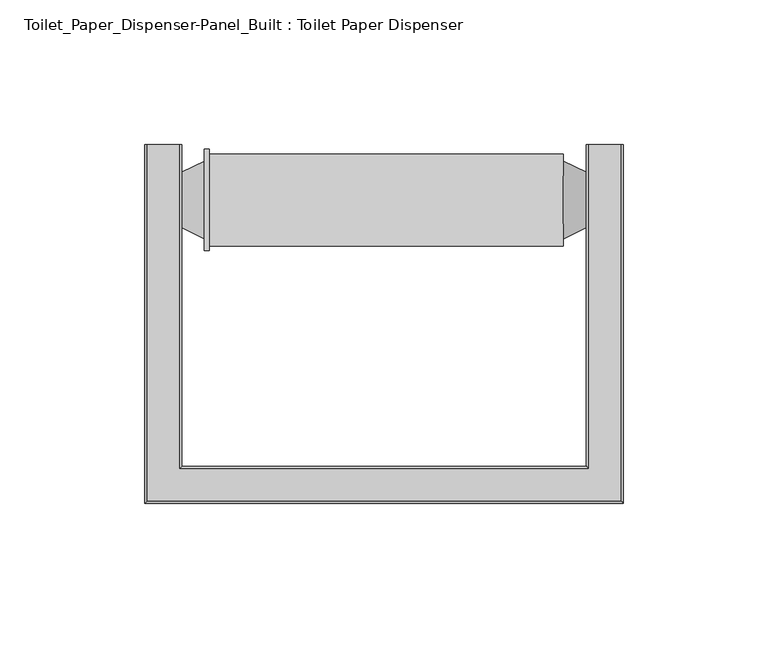
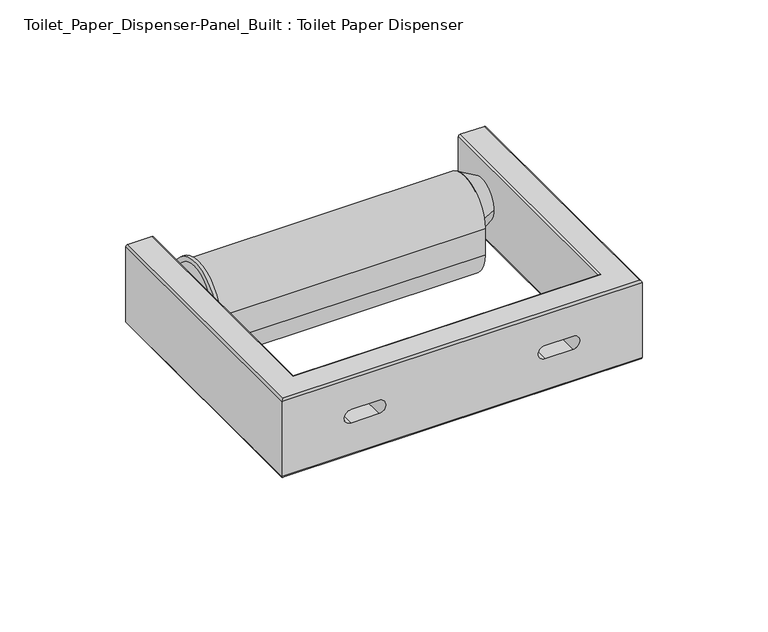
"""IFC4 building model written with IfcOpenShell, lengths in millimetres: proxy geometry, Toilet_Paper_Dispenser-Panel_Built : Toilet Paper Dispenser."""

from ifc_helpers import new_model, si_unit, point, frame, frame_2d, origin, place, context, project, spatial, polyline, circle_curve, ellipse_curve, trimmed, segment, composite_curve, outline, extrude, source, transform, mapped, element, save
from ifc_brep_helpers import plane_surface, cylinder_surface, revolved_surface, advanced_brep


def toilet_paper_dispenser_panel_built_toilet_paper_dispenser_115d3f29(model_context):
    return source(origin(), model_context, "Body", "SolidModel", [
        advanced_brep(
        [(-70.7128524, 123.825, 501.65), (-69.85, 123.825, 500.7871476), (-69.85, 123.825, 464.4128524), (-70.7128524, 123.825, 463.55), (-81.6871476, 123.825, 463.55), (-82.55, 123.825, 464.4128524), (-82.55, 123.825, 500.7871476), (-81.6871476, 123.825, 501.65), (-81.6871476, 0.8628524, 501.65), (81.6871476, 0.8628524, 501.65), (81.6871476, 123.825, 501.65), (70.7128524, 123.825, 501.65), (70.7128524, 11.8371476, 501.65), (-70.7128524, 11.8371476, 501.65), (-82.55, 0.0, 500.7871476), (-82.55, 0.0, 464.4128524), (-81.6871476, 0.8628524, 463.55), (-70.7128524, 11.8371476, 463.55), (70.7128524, 11.8371476, 463.55), (70.7128524, 123.825, 463.55), (81.6871476, 123.825, 463.55), (81.6871476, 0.8628524, 463.55), (-69.85, 12.7, 464.4128524), (-69.85, 12.7, 500.7871476), (82.55, 0.0, 500.7871476), (82.55, 0.0, 464.4128524), (-50.8, 0.0, 479.425), (-50.8, 0.0, 485.775), (-38.1, 0.0, 485.775), (-38.1, 0.0, 479.425), (38.1, 0.0, 479.425), (38.1, 0.0, 485.775), (50.8, 0.0, 485.775), (50.8, 0.0, 479.425), (69.85, 12.7, 464.4128524), (69.85, 12.7, 500.7871476), (-38.1, 12.7, 479.425), (-38.1, 12.7, 485.775), (-50.8, 12.7, 485.775), (-50.8, 12.7, 479.425), (50.8, 12.7, 479.425), (50.8, 12.7, 485.775), (38.1, 12.7, 485.775), (38.1, 12.7, 479.425), (82.55, 123.825, 500.7871476), (82.55, 123.825, 464.4128524), (69.85, 123.825, 464.4128524), (69.85, 123.825, 500.7871476)],
        [
            (0, 1, circle_curve(frame((-70.7128524, 123.825, 500.7871476), z_axis=(0.0, 1.0, 0.0), x_axis=(1.0, 0.0, 0.0)), 0.8628524)),
            (1, 2),
            (2, 3, circle_curve(frame((-70.7128524, 123.825, 464.4128524), z_axis=(0.0, 1.0, 0.0), x_axis=(1.0, 0.0, 0.0)), 0.8628524)),
            (3, 4),
            (4, 5, circle_curve(frame((-81.6871476, 123.825, 464.4128524), z_axis=(0.0, 1.0, 0.0), x_axis=(-1.0, 0.0, 0.0)), 0.8628524)),
            (5, 6),
            (6, 7, circle_curve(frame((-81.6871476, 123.825, 500.7871476), z_axis=(0.0, 1.0, 0.0), x_axis=(-1.0, 0.0, 0.0)), 0.8628524)),
            (7, 0),
            (7, 8),
            (8, 9),
            (9, 10),
            (10, 11),
            (11, 12),
            (12, 13),
            (13, 0),
            (6, 14),
            (14, 8, ellipse_curve(frame((-81.6871476, 0.8628524, 500.7871476), z_axis=(-0.7071067811865468, 0.7071067811865481, 0.0), x_axis=(0.7071067811865481, 0.7071067811865469, 0.0)), 1.2202575, 0.8628524)),
            (5, 15),
            (15, 14),
            (4, 16),
            (16, 15, ellipse_curve(frame((-81.6871476, 0.8628524, 464.4128524), z_axis=(-0.7071067811865468, 0.7071067811865481, 0.0), x_axis=(0.7071067811865481, 0.7071067811865469, 0.0)), 1.2202575, 0.8628524)),
            (3, 17),
            (17, 18),
            (18, 19),
            (19, 20),
            (20, 21),
            (21, 16),
            (2, 22),
            (22, 17, ellipse_curve(frame((-70.7128524, 11.8371476, 464.4128524), z_axis=(-0.7071067811865491, 0.7071067811865459, 0.0), x_axis=(0.7071067811865458, 0.7071067811865492, 0.0)), 1.2202575, 0.8628524)),
            (1, 23),
            (23, 22),
            (13, 23, ellipse_curve(frame((-70.7128524, 11.8371476, 500.7871476), z_axis=(-0.7071067811865491, 0.7071067811865459, 0.0), x_axis=(0.7071067811865458, 0.7071067811865492, 0.0)), 1.2202575, 0.8628524)),
            (14, 24),
            (24, 9, ellipse_curve(frame((81.6871476, 0.8628524, 500.7871476), z_axis=(-0.7071067811865481, -0.7071067811865469, 0.0), x_axis=(-0.707106781186547, 0.707106781186548, 0.0)), 1.2202575, 0.8628524)),
            (15, 25),
            (25, 24),
            (26, 27, circle_curve(frame((-50.8, 0.0, 482.6), z_axis=(0.0, 1.0, 0.0), x_axis=(1.0, 0.0, 0.0)), 3.175)),
            (27, 28),
            (28, 29, circle_curve(frame((-38.1, 0.0, 482.6), z_axis=(0.0, 1.0, 0.0), x_axis=(1.0, 0.0, 0.0)), 3.175)),
            (29, 26),
            (30, 31, circle_curve(frame((38.1, 0.0, 482.6), z_axis=(0.0, 1.0, 0.0), x_axis=(1.0, 0.0, 0.0)), 3.175)),
            (31, 32),
            (32, 33, circle_curve(frame((50.8, 0.0, 482.6), z_axis=(0.0, 1.0, 0.0), x_axis=(1.0, 0.0, 0.0)), 3.175)),
            (33, 30),
            (21, 25, ellipse_curve(frame((81.6871476, 0.8628524, 464.4128524), z_axis=(-0.7071067811865481, -0.7071067811865469, 0.0), x_axis=(-0.707106781186547, 0.707106781186548, 0.0)), 1.2202575, 0.8628524)),
            (22, 34),
            (34, 18, ellipse_curve(frame((70.7128524, 11.8371476, 464.4128524), z_axis=(-0.7071067811865458, -0.7071067811865492, 0.0), x_axis=(-0.7071067811865492, 0.7071067811865458, 0.0)), 1.2202575, 0.8628524)),
            (23, 35),
            (35, 34),
            (36, 37, circle_curve(frame((-38.1, 12.7, 482.6), z_axis=(0.0, -1.0, 0.0), x_axis=(1.0, 0.0, 0.0)), 3.175)),
            (37, 38),
            (38, 39, circle_curve(frame((-50.8, 12.7, 482.6), z_axis=(0.0, -1.0, 0.0), x_axis=(1.0, 0.0, 0.0)), 3.175)),
            (39, 36),
            (40, 41, circle_curve(frame((50.8, 12.7, 482.6), z_axis=(0.0, -1.0, 0.0), x_axis=(1.0, 0.0, 0.0)), 3.175)),
            (41, 42),
            (42, 43, circle_curve(frame((38.1, 12.7, 482.6), z_axis=(0.0, -1.0, 0.0), x_axis=(1.0, 0.0, 0.0)), 3.175)),
            (43, 40),
            (12, 35, ellipse_curve(frame((70.7128524, 11.8371476, 500.7871476), z_axis=(-0.7071067811865458, -0.7071067811865492, 0.0), x_axis=(-0.7071067811865492, 0.7071067811865458, 0.0)), 1.2202575, 0.8628524)),
            (10, 44, circle_curve(frame((81.6871476, 123.825, 500.7871476), z_axis=(0.0, 1.0, 0.0), x_axis=(1.0, 0.0, 0.0)), 0.8628524)),
            (44, 45),
            (45, 20, circle_curve(frame((81.6871476, 123.825, 464.4128524), z_axis=(0.0, 1.0, 0.0), x_axis=(1.0, 0.0, 0.0)), 0.8628524)),
            (19, 46, circle_curve(frame((70.7128524, 123.825, 464.4128524), z_axis=(0.0, 1.0, 0.0), x_axis=(-1.0, 0.0, 0.0)), 0.8628524)),
            (46, 47),
            (47, 11, circle_curve(frame((70.7128524, 123.825, 500.7871476), z_axis=(0.0, 1.0, 0.0), x_axis=(-1.0, 0.0, 0.0)), 0.8628524)),
            (24, 44),
            (25, 45),
            (34, 46),
            (35, 47),
            (29, 36),
            (39, 26),
            (28, 37),
            (27, 38),
            (33, 40),
            (43, 30),
            (32, 41),
            (31, 42),
        ],
        [
            plane_surface(frame((-82.55, 123.825, 0.0), z_axis=(0.0, 1.0, 0.0), x_axis=(0.0, 0.0, 1.0))),
            plane_surface(frame((-70.7128524, 123.825, 501.65), z_axis=(0.0, 0.0, 1.0), x_axis=(0.0, -1.0, 0.0))),
            cylinder_surface(frame((-81.6871476, 123.825, 500.7871476), z_axis=(0.0, 1.0, 0.0), x_axis=(-1.0, 0.0, 0.0)), 0.8628524),
            plane_surface(frame((-82.55, 123.825, 500.7871476), z_axis=(-1.0, 0.0, 0.0), x_axis=(0.0, -1.0, 0.0))),
            cylinder_surface(frame((-81.6871476, 123.825, 464.4128524), z_axis=(0.0, 1.0, 0.0), x_axis=(-1.0, 0.0, 0.0)), 0.8628524),
            plane_surface(frame((-81.6871476, 123.825, 463.55), z_axis=(0.0, 0.0, -1.0), x_axis=(0.0, -1.0, 0.0))),
            cylinder_surface(frame((-70.7128524, 123.825, 464.4128524), z_axis=(0.0, 1.0, 0.0), x_axis=(1.0, 0.0, 0.0)), 0.8628524),
            plane_surface(frame((-69.85, 123.825, 464.4128524), z_axis=(1.0, 0.0, 0.0), x_axis=(0.0, -1.0, 0.0))),
            cylinder_surface(frame((-70.7128524, 123.825, 500.7871476), z_axis=(0.0, 1.0, 0.0), x_axis=(1.0, 0.0, 0.0)), 0.8628524),
            cylinder_surface(frame((-82.55, 0.8628524, 500.7871476), z_axis=(-1.0, 0.0, 0.0), x_axis=(0.0, -1.0, 0.0)), 0.8628524),
            plane_surface(frame((-82.55, 0.0, 500.7871476), z_axis=(0.0, -1.0, 0.0), x_axis=(1.0, 0.0, 0.0))),
            cylinder_surface(frame((-82.55, 0.8628524, 464.4128524), z_axis=(-1.0, 0.0, 0.0), x_axis=(0.0, -1.0, 0.0)), 0.8628524),
            cylinder_surface(frame((-82.55, 11.8371476, 464.4128524), z_axis=(-1.0, 0.0, 0.0), x_axis=(0.0, 1.0, 0.0)), 0.8628524),
            plane_surface(frame((-69.85, 12.7, 464.4128524), z_axis=(0.0, 1.0, 0.0), x_axis=(1.0, 0.0, 0.0))),
            cylinder_surface(frame((-82.55, 11.8371476, 500.7871476), z_axis=(-1.0, 0.0, 0.0), x_axis=(0.0, 1.0, 0.0)), 0.8628524),
            plane_surface(frame((82.55, 123.825, 0.0), z_axis=(0.0, 1.0, 0.0), x_axis=(0.0, 0.0, 1.0))),
            cylinder_surface(frame((81.6871476, 0.0, 500.7871476), z_axis=(0.0, -1.0, 0.0), x_axis=(1.0, 0.0, 0.0)), 0.8628524),
            plane_surface(frame((82.55, 0.0, 500.7871476), z_axis=(1.0, 0.0, 0.0), x_axis=(0.0, 1.0, 0.0))),
            cylinder_surface(frame((81.6871476, 0.0, 464.4128524), z_axis=(0.0, -1.0, 0.0), x_axis=(1.0, 0.0, 0.0)), 0.8628524),
            cylinder_surface(frame((70.7128524, 0.0, 464.4128524), z_axis=(0.0, -1.0, 0.0), x_axis=(-1.0, 0.0, 0.0)), 0.8628524),
            plane_surface(frame((69.85, 12.7, 464.4128524), z_axis=(-1.0, 0.0, 0.0), x_axis=(0.0, 1.0, 0.0))),
            cylinder_surface(frame((70.7128524, 0.0, 500.7871476), z_axis=(0.0, -1.0, 0.0), x_axis=(-1.0, 0.0, 0.0)), 0.8628524),
            plane_surface(frame((-50.8, 70.5291845, 479.425), z_axis=(0.0, 0.0, 1.0), x_axis=(0.0, -1.0, 0.0))),
            revolved_surface(polyline([(-34.925000000000004, 12.700000000000003, 482.6), (-34.925000000000004, 0.0, 482.6)]), (-38.1, -51.7793612, 482.6), (0.0, 1.0, 0.0)),
            plane_surface(frame((-38.1, 70.5291845, 485.775), z_axis=(0.0, 0.0, -1.0), x_axis=(0.0, -1.0, 0.0))),
            revolved_surface(polyline([(-47.625, 12.700000000000003, 482.6), (-47.625, 0.0, 482.6)]), (-50.8, -51.7793612, 482.6), (0.0, 1.0, 0.0)),
            plane_surface(frame((38.1, 70.5291845, 479.425), z_axis=(0.0, 0.0, 1.0), x_axis=(0.0, -1.0, 0.0))),
            revolved_surface(polyline([(53.974999999999994, 12.7, 482.6), (53.974999999999994, 0.0, 482.6)]), (50.8, 0.0, 482.6), (0.0, 1.0, 0.0)),
            plane_surface(frame((50.8, 70.5291845, 485.775), z_axis=(0.0, 0.0, -1.0), x_axis=(0.0, -1.0, 0.0))),
            revolved_surface(polyline([(41.275, 12.7, 482.6), (41.275, 0.0, 482.6)]), (38.1, 0.0, 482.6), (0.0, 1.0, 0.0)),
        ],
        [
            (0, [[1, 2, 3, 4, 5, 6, 7, 8]]),
            (1, [[9, 10, 11, 12, 13, 14, 15, -8]]),
            (2, [[16, 17, -9, -7]]),
            (3, [[18, 19, -16, -6]]),
            (4, [[20, 21, -18, -5]]),
            (5, [[22, 23, 24, 25, 26, 27, -20, -4]]),
            (6, [[28, 29, -22, -3]]),
            (7, [[30, 31, -28, -2]]),
            (8, [[-15, 32, -30, -1]]),
            (9, [[-17, 33, 34, -10]]),
            (10, [[35, 36, -33, -19], [37, 38, 39, 40], [41, 42, 43, 44]]),
            (11, [[-27, 45, -35, -21]]),
            (12, [[-29, 46, 47, -23]]),
            (13, [[48, 49, -46, -31], [50, 51, 52, 53], [54, 55, 56, 57]]),
            (14, [[58, -48, -32, -14]]),
            (15, [[59, 60, 61, -25, 62, 63, 64, -12]]),
            (16, [[-34, 65, -59, -11]]),
            (17, [[66, -60, -65, -36]]),
            (18, [[-61, -66, -45, -26]]),
            (19, [[-47, 67, -62, -24]]),
            (20, [[68, -63, -67, -49]]),
            (21, [[-64, -68, -58, -13]]),
            (22, [[-40, 69, -53, 70]]),
            (23, [[-39, 71, -50, -69]]),
            (24, [[-38, 72, -51, -71]]),
            (25, [[-52, -72, -37, -70]]),
            (26, [[-44, 73, -57, 74]]),
            (27, [[-43, 75, -54, -73]]),
            (28, [[-42, 76, -55, -75]]),
            (29, [[-56, -76, -41, -74]]),
        ],
    ),
        advanced_brep(
        [(61.9233222, 118.2426748, 482.6), (61.9233222, 91.3073252, 482.6), (69.85, 114.3, 482.6), (69.85, 95.25, 482.6)],
        [
            (0, 1, circle_curve(frame((61.9233222, 104.775, 482.6), z_axis=(-1.0, 0.0, 0.0), x_axis=(0.0, -1.0, 0.0)), 13.4676748)),
            (1, 0, circle_curve(frame((61.9233222, 104.775, 482.6), z_axis=(-1.0, 0.0, 0.0), x_axis=(0.0, 1.0, 0.0)), 13.4676748)),
            (2, 3, circle_curve(frame((69.85, 104.775, 482.6), z_axis=(1.0, 0.0, 0.0), x_axis=(0.0, 1.0, 0.0)), 9.525)),
            (3, 2, circle_curve(frame((69.85, 104.775, 482.6), z_axis=(1.0, 0.0, 0.0), x_axis=(0.0, -1.0, 0.0)), 9.525)),
            (3, 1),
            (0, 2),
        ],
        [
            plane_surface(frame((61.9233222, 104.775, 482.6), z_axis=(-1.0, 0.0, 0.0), x_axis=(0.0, 0.0, 1.0))),
            plane_surface(frame((69.85, 104.775, 482.6), z_axis=(1.0, 0.0, 0.0), x_axis=(0.0, 0.0, 1.0))),
            revolved_surface(polyline([(69.85, 95.24999998045553, 482.6), (61.9233222, 91.3073252, 482.6)]), (88.9998438, 104.775, 482.6), (-1.0, 0.0, 0.0)),
            revolved_surface(polyline([(69.85, 114.30000001954447, 482.6), (61.9233222, 118.2426748, 482.6)]), (88.9998438, 104.775, 482.6), (-1.0, 0.0, 0.0)),
        ],
        [
            (0, [[1, 2]]),
            (1, [[3, 4]]),
            (2, [[5, -1, 6, -4]]),
            (3, [[-6, -2, -5, -3]]),
        ],
    ),
        extrude(outline(composite_curve([segment(polyline([(122.2375, 480.1926748), (122.2375, 467.4926748)]), True, "CONTINUOUS"), segment(trimmed(circle_curve(frame_2d((104.775, 467.4926748)), 17.4625), [point((122.2375, 467.4926748))], [point((87.3125, 467.4926748))], False, "CARTESIAN"), True, "CONTINUOUS"), segment(polyline([(87.3125, 467.4926748), (87.3125, 480.1926748)]), True, "CONTINUOUS"), segment(trimmed(circle_curve(frame_2d((104.775, 480.1926748)), 17.4625), [point((87.3125, 480.1926748))], [point((122.2375, 480.1926748))], False, "CARTESIAN"), True, "CONTINUOUS")], self_intersect=False)), frame((-62.0225668, 0.0, 0.0), z_axis=(1.0, 0.0, 0.0), x_axis=(0.0, 1.0, 0.0)), (0.0, 0.0, 1.0), 1.6867446),
        advanced_brep(
        [(-61.9233222, 118.2426748, 482.6), (-61.9233222, 91.3073252, 482.6), (-69.85, 114.3, 482.6), (-69.85, 95.25, 482.6)],
        [
            (0, 1, circle_curve(frame((-61.9233222, 104.775, 482.6), z_axis=(1.0, 0.0, 0.0), x_axis=(0.0, -1.0, 0.0)), 13.4676748)),
            (1, 0, circle_curve(frame((-61.9233222, 104.775, 482.6), z_axis=(1.0, 0.0, 0.0), x_axis=(0.0, 1.0, 0.0)), 13.4676748)),
            (2, 3, circle_curve(frame((-69.85, 104.775, 482.6), z_axis=(-1.0, 0.0, 0.0), x_axis=(0.0, 1.0, 0.0)), 9.525)),
            (3, 2, circle_curve(frame((-69.85, 104.775, 482.6), z_axis=(-1.0, 0.0, 0.0), x_axis=(0.0, -1.0, 0.0)), 9.525)),
            (2, 0),
            (1, 3),
        ],
        [
            plane_surface(frame((-61.9233222, 104.775, 482.6), z_axis=(1.0, 0.0, 0.0), x_axis=(0.0, 0.0, -1.0))),
            plane_surface(frame((-69.85, 104.775, 482.6), z_axis=(-1.0, 0.0, 0.0), x_axis=(0.0, 0.0, -1.0))),
            revolved_surface(polyline([(-69.85, 114.30000001954447, 482.6), (-61.9233222, 118.2426748, 482.6)]), (-88.9998438, 104.775, 482.6), (1.0, 0.0, 0.0)),
            revolved_surface(polyline([(-69.85, 95.24999998045553, 482.6), (-61.9233222, 91.3073252, 482.6)]), (-88.9998438, 104.775, 482.6), (1.0, 0.0, 0.0)),
        ],
        [
            (0, [[1, 2]]),
            (1, [[3, 4]]),
            (2, [[5, -2, 6, -3]]),
            (3, [[-6, -1, -5, -4]]),
        ],
    ),
        extrude(outline(composite_curve([segment(trimmed(circle_curve(frame_2d((104.775, 480.1926748)), 15.875), [point((88.9, 480.1926748))], [point((120.65, 480.1926748))], False, "CARTESIAN"), True, "CONTINUOUS"), segment(polyline([(120.65, 480.1926748), (120.65, 467.4926748)]), True, "CONTINUOUS"), segment(trimmed(circle_curve(frame_2d((104.775, 467.4926748)), 15.875), [point((120.65, 467.4926748))], [point((88.9, 467.4926748))], False, "CARTESIAN"), True, "CONTINUOUS"), segment(polyline([(88.9, 467.4926748), (88.9, 480.1926748)]), True, "CONTINUOUS")], self_intersect=False)), frame((-60.3358222, 0.0, 0.0), z_axis=(1.0, 0.0, 0.0), x_axis=(0.0, 1.0, 0.0)), (0.0, 0.0, 1.0), 122.2591444),
    ])


if __name__ == "__main__":
    model = new_model("IFC4")
    model_context = context("Model", 3, world=origin())
    ifc_project = project(units=[si_unit("LENGTHUNIT", "METRE", prefix="MILLI")], contexts=[model_context])
    site = spatial("IfcSite", under=ifc_project)
    building = spatial("IfcBuilding", under=site)
    placement = place(None, origin())
    toilet_paper_dispenser_panel_built_toilet_paper_dispenser_shape = toilet_paper_dispenser_panel_built_toilet_paper_dispenser_115d3f29(model_context)
    element("IfcBuildingElementProxy", 1, Name="Toilet_Paper_Dispenser-Panel_Built : Toilet Paper Dispenser", ObjectType="Toilet_Paper_Dispenser-Panel_Built : Toilet Paper Dispenser", at=placement, inside=building, context=model_context, shape_type="MappedRepresentation", body=[
        mapped(toilet_paper_dispenser_panel_built_toilet_paper_dispenser_shape, transform((0.0, 0.0, 0.0), x_axis=(1.0, 0.0, 0.0), y_axis=(0.0, 1.0, 0.0), z_axis=(0.0, 0.0, 1.0))),
    ])
    save(model, "model.ifc")
